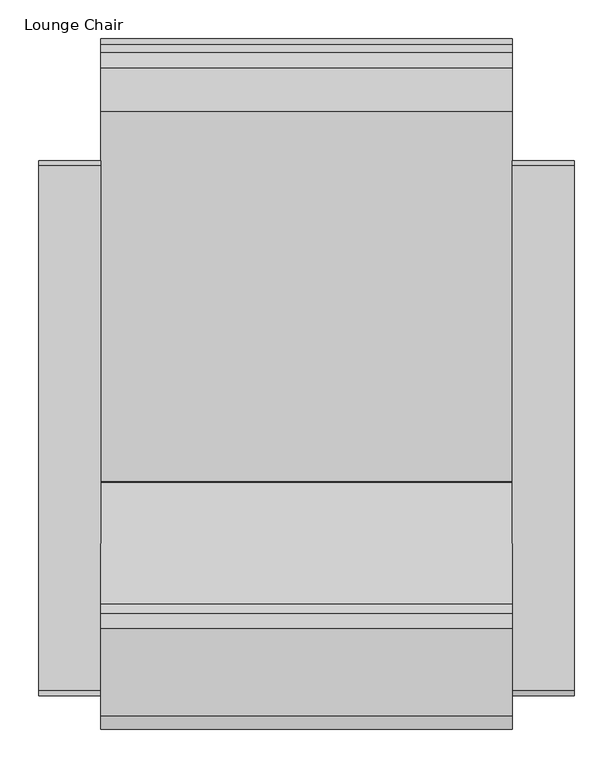
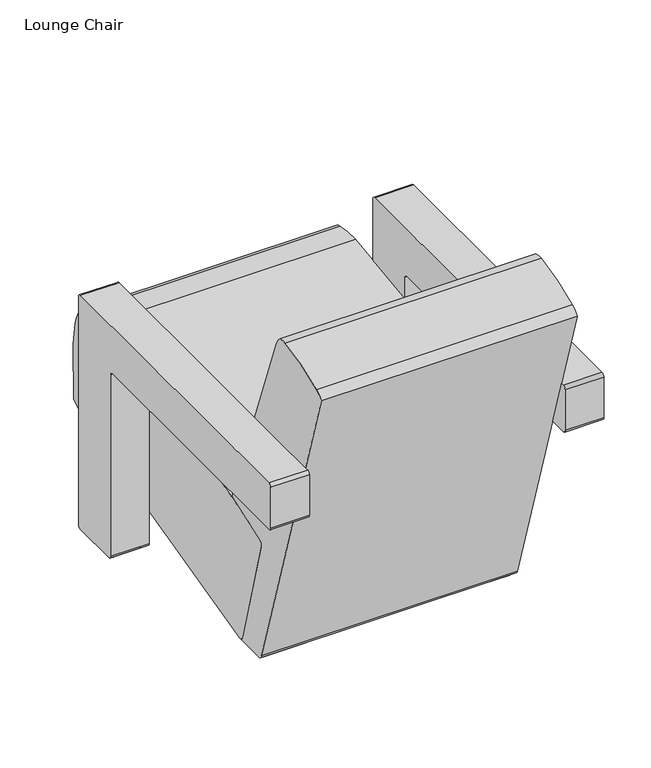
"""IFC4 building model written with IfcOpenShell, lengths in millimetres: furniture geometry, Lounge Chair."""

from ifc_helpers import new_model, si_unit, point, frame, frame_2d, origin, place, context, project, spatial, polyline, circle_curve, trimmed, segment, composite_curve, outline, extrude, source, transform, mapped, element, save


def lounge_chair_3e41c4e6(model_context):
    return source(origin(), model_context, "Body", "SweptSolid", [
        extrude(outline(composite_curve([segment(polyline([(19.713159, 1722.4897589), (19.713159, 1632.4894385), (1.27, 1632.4894385)]), True, "CONTINUOUS"), segment(trimmed(circle_curve(frame_2d((1.27, 1633.7594385)), 1.27), [point((1.27, 1632.4894385))], [point((0.0, 1633.7594385))], False, "CARTESIAN"), True, "CONTINUOUS"), segment(polyline([(0.0, 1633.7594385), (0.0, 1721.2197589)]), True, "CONTINUOUS"), segment(trimmed(circle_curve(frame_2d((1.27, 1721.2197589)), 1.27), [point((0.0, 1721.2197589))], [point((1.27, 1722.4897589))], False, "CARTESIAN"), True, "CONTINUOUS"), segment(polyline([(1.27, 1722.4897589), (19.713159, 1722.4897589)]), True, "CONTINUOUS")], self_intersect=False)), frame((0.0, -1379.5979419, 0.0), z_axis=(0.0, 1.0, 0.0), x_axis=(0.0, 0.0, 1.0)), (0.0, 0.0, 1.0), 59.924976),
        extrude(outline(composite_curve([segment(polyline([(-883.6194949, 19.713159), (-883.6194949, 1.27)]), True, "CONTINUOUS"), segment(trimmed(circle_curve(frame_2d((-884.8894949, 1.27)), 1.27), [point((-883.6194949, 1.27))], [point((-884.8894949, 0.0))], False, "CARTESIAN"), True, "CONTINUOUS"), segment(polyline([(-884.8894949, 0.0), (-972.3498154, 0.0)]), True, "CONTINUOUS"), segment(trimmed(circle_curve(frame_2d((-972.3498154, 1.27)), 1.27), [point((-972.3498154, 0.0))], [point((-973.6198154, 1.27))], False, "CARTESIAN"), True, "CONTINUOUS"), segment(polyline([(-973.6198154, 1.27), (-973.6198154, 19.713159), (-883.6194949, 19.713159)]), True, "CONTINUOUS")], self_intersect=False)), frame((1741.7692507, 0.0, 0.0), z_axis=(1.0, 0.0, 0.0), x_axis=(0.0, 1.0, 0.0)), (0.0, 0.0, 1.0), 59.924976),
        extrude(outline(composite_curve([segment(trimmed(circle_curve(frame_2d((-875.0186633, 514.0575518)), 6.35), [point((-875.0186633, 520.4075518))], [point((-868.6686633, 514.0575518))], False, "CARTESIAN"), True, "CONTINUOUS"), segment(polyline([(-868.6686633, 514.0575518), (-868.6686633, 12.363034)]), True, "CONTINUOUS"), segment(trimmed(circle_curve(frame_2d((-875.0186633, 12.363034)), 6.35), [point((-868.6686633, 12.363034))], [point((-875.0186633, 6.013034))], False, "CARTESIAN"), True, "CONTINUOUS"), segment(polyline([(-875.0186633, 6.013034), (-977.9866031, 6.013034)]), True, "CONTINUOUS"), segment(trimmed(circle_curve(frame_2d((-977.9866031, 12.363034)), 6.35), [point((-977.9866031, 6.013034))], [point((-984.3366031, 12.363034))], False, "CARTESIAN"), True, "CONTINUOUS"), segment(polyline([(-984.3366031, 12.363034), (-984.3366031, 412.0057665)]), True, "CONTINUOUS"), segment(trimmed(circle_curve(frame_2d((-990.6866031, 412.0057665)), 6.35), [point((-984.3366031, 412.0057665))], [point((-990.6866031, 418.3557665))], True, "CARTESIAN"), True, "CONTINUOUS"), segment(polyline([(-990.6866031, 418.3557665), (-1555.2321826, 418.3557665)]), True, "CONTINUOUS"), segment(trimmed(circle_curve(frame_2d((-1555.2321826, 424.7057665)), 6.35), [point((-1555.2321826, 418.3557665))], [point((-1561.5821826, 424.7057665))], False, "CARTESIAN"), True, "CONTINUOUS"), segment(polyline([(-1561.5821826, 424.7057665), (-1561.5821826, 514.0575518)]), True, "CONTINUOUS"), segment(trimmed(circle_curve(frame_2d((-1555.2321826, 514.0575518)), 6.35), [point((-1561.5821826, 514.0575518))], [point((-1555.2321826, 520.4075518))], False, "CARTESIAN"), True, "CONTINUOUS"), segment(polyline([(-1555.2321826, 520.4075518), (-875.0186633, 520.4075518)]), True, "CONTINUOUS")], self_intersect=False)), frame((1731.6264105, 0.0, 0.0), z_axis=(1.0, 0.0, 0.0), x_axis=(0.0, 1.0, 0.0)), (0.0, 0.0, 1.0), 80.2983545),
        extrude(outline(composite_curve([segment(polyline([(19.713159, 1207.9397711), (1.27, 1207.9397711)]), True, "CONTINUOUS"), segment(trimmed(circle_curve(frame_2d((1.27, 1209.2097711)), 1.27), [point((1.27, 1207.9397711))], [point((0.0, 1209.2097711))], False, "CARTESIAN"), True, "CONTINUOUS"), segment(polyline([(0.0, 1209.2097711), (0.0, 1296.6700916)]), True, "CONTINUOUS"), segment(trimmed(circle_curve(frame_2d((1.27, 1296.6700916)), 1.27), [point((0.0, 1296.6700916))], [point((1.27, 1297.9400916))], False, "CARTESIAN"), True, "CONTINUOUS"), segment(polyline([(1.27, 1297.9400916), (19.713159, 1297.9400916), (19.713159, 1207.9397711)]), True, "CONTINUOUS")], self_intersect=False)), frame((0.0, -1379.5979419, 0.0), z_axis=(0.0, 1.0, 0.0), x_axis=(0.0, 0.0, 1.0)), (0.0, 0.0, 1.0), 59.924976),
        extrude(outline(composite_curve([segment(polyline([(-883.6194949, 19.713159), (-883.6194949, 1.27)]), True, "CONTINUOUS"), segment(trimmed(circle_curve(frame_2d((-884.8894949, 1.27)), 1.27), [point((-883.6194949, 1.27))], [point((-884.8894949, 0.0))], False, "CARTESIAN"), True, "CONTINUOUS"), segment(polyline([(-884.8894949, 0.0), (-972.3498154, 0.0)]), True, "CONTINUOUS"), segment(trimmed(circle_curve(frame_2d((-972.3498154, 1.27)), 1.27), [point((-972.3498154, 0.0))], [point((-973.6198154, 1.27))], False, "CARTESIAN"), True, "CONTINUOUS"), segment(polyline([(-973.6198154, 1.27), (-973.6198154, 19.713159), (-883.6194949, 19.713159)]), True, "CONTINUOUS")], self_intersect=False)), frame((1128.7353034, 0.0, 0.0), z_axis=(1.0, 0.0, 0.0), x_axis=(0.0, 1.0, 0.0)), (0.0, 0.0, 1.0), 59.924976),
        extrude(outline(composite_curve([segment(trimmed(circle_curve(frame_2d((-1346.8928397, -591.8593918)), 595.0636311), [point((-1320.0562274, 2.5987828))], [point((-1379.8211841, 2.2924821))], True, "CARTESIAN"), True, "CONTINUOUS"), segment(trimmed(circle_curve(frame_2d((-1377.2834166, 14.9445749)), 12.9040969), [point((-1379.8211841, 2.2924821))], [point((-1389.5217547, 10.8532676))], False, "CARTESIAN"), True, "CONTINUOUS"), segment(trimmed(circle_curve(frame_2d((15265.0042355, 5578.5032157)), 17560.5228255), [point((-1389.5217547, 10.8532676))], [point((-1604.9932201, 702.526621))], False, "CARTESIAN"), True, "CONTINUOUS"), segment(trimmed(circle_curve(frame_2d((-1572.2651552, 682.1842375)), 38.5349037), [point((-1604.9932201, 702.526621))], [point((-1587.9544101, 717.3806305))], False, "CARTESIAN"), True, "CONTINUOUS"), segment(trimmed(circle_curve(frame_2d((-1408.721927, 315.300547)), 440.2188961), [point((-1587.9544101, 717.3806305))], [point((-1474.9008456, 750.5166166))], False, "CARTESIAN"), True, "CONTINUOUS"), segment(trimmed(circle_curve(frame_2d((-1468.7671538, 710.1792807)), 40.8010152), [point((-1474.9008456, 750.5166166))], [point((-1455.4037799, 748.7298071))], False, "CARTESIAN"), True, "CONTINUOUS"), segment(trimmed(circle_curve(frame_2d((-1496.8852083, 705.716765)), 59.756428), [point((-1455.4037799, 748.7298071))], [point((-1443.0632541, 731.678813))], False, "CARTESIAN"), True, "CONTINUOUS"), segment(trimmed(circle_curve(frame_2d((-3622.7439753, -319.7318287)), 2420.0149553), [point((-1443.0632541, 731.678813))], [point((-1285.7030917, 308.5294962))], False, "CARTESIAN"), True, "CONTINUOUS"), segment(trimmed(circle_curve(frame_2d((-1320.763101, 299.1043946)), 36.3047764), [point((-1285.7030917, 308.5294962))], [point((-1284.4811102, 297.8183401))], False, "CARTESIAN"), True, "CONTINUOUS"), segment(trimmed(circle_curve(frame_2d((-983.152918, -692.4423824)), 1035.0917726), [point((-1284.4811102, 297.8183401))], [point((-1385.1457674, 261.400753))], True, "CARTESIAN"), True, "CONTINUOUS"), segment(trimmed(circle_curve(frame_2d((-1382.1481077, 254.2879469)), 7.7186769), [point((-1385.1457674, 261.400753))], [point((-1389.7211612, 252.7956888))], True, "CARTESIAN"), True, "CONTINUOUS"), segment(trimmed(circle_curve(frame_2d((-3181.3286385, -380.1683794)), 1900.1318018), [point((-1389.7211612, 252.7956888))], [point((-1321.8235614, 10.6534888))], False, "CARTESIAN"), True, "CONTINUOUS"), segment(trimmed(circle_curve(frame_2d((-1312.8996098, 12.5290821)), 9.1189233), [point((-1321.8235614, 10.6534888))], [point((-1316.9536982, 4.3609043))], True, "CARTESIAN"), True, "CONTINUOUS"), segment(trimmed(circle_curve(frame_2d((-1319.9051574, 5.9451358)), 3.3497613), [point((-1316.9536982, 4.3609043))], [point((-1320.0562274, 2.5987828))], False, "CARTESIAN"), True, "CONTINUOUS")], self_intersect=False)), frame((1198.8031195, 0.0, 0.0), z_axis=(1.0, 0.0, 0.0), x_axis=(0.0, 1.0, 0.0)), (0.0, 0.0, 1.0), 532.8244537),
        extrude(outline(composite_curve([segment(trimmed(circle_curve(frame_2d((-795.2244205, 178.8839948)), 207.7738594), [point((-805.0516162, 386.4253229))], [point((-749.5073485, 381.5658292))], False, "CARTESIAN"), True, "CONTINUOUS"), segment(trimmed(circle_curve(frame_2d((-756.3925577, 351.0409778)), 31.2917347), [point((-749.5073485, 381.5658292))], [point((-729.1126468, 366.3700064))], False, "CARTESIAN"), True, "CONTINUOUS"), segment(trimmed(circle_curve(frame_2d((-821.6257159, 314.3853981)), 106.1181768), [point((-729.1126468, 366.3700064))], [point((-717.8644961, 336.6267274))], False, "CARTESIAN"), True, "CONTINUOUS"), segment(trimmed(circle_curve(frame_2d((-1047.412968, 265.9876574)), 337.0342319), [point((-717.8644961, 336.6267274))], [point((-710.9132201, 284.9611437))], False, "CARTESIAN"), True, "CONTINUOUS"), segment(trimmed(circle_curve(frame_2d((-1682.5410701, 230.1760573)), 973.1711487), [point((-710.9132201, 284.9611437))], [point((-711.557323, 164.9637317))], False, "CARTESIAN"), True, "CONTINUOUS"), segment(trimmed(circle_curve(frame_2d((-831.0220534, 331.7467616)), 205.154578), [point((-711.557323, 164.9637317))], [point((-779.5572421, 133.152265))], False, "CARTESIAN"), True, "CONTINUOUS"), segment(trimmed(circle_curve(frame_2d((-5520.4330294, 18427.4356099)), 18898.5900621), [point((-779.5572421, 133.152265))], [point((-1310.8684161, 3.6392557))], False, "CARTESIAN"), True, "CONTINUOUS"), segment(trimmed(circle_curve(frame_2d((-1312.8996098, 12.5290821)), 9.1189233), [point((-1310.8684161, 3.6392557))], [point((-1321.8235614, 10.6534888))], False, "CARTESIAN"), True, "CONTINUOUS"), segment(trimmed(circle_curve(frame_2d((-3181.3286385, -380.1683794)), 1900.1318018), [point((-1321.8235614, 10.6534888))], [point((-1389.7211612, 252.7956888))], True, "CARTESIAN"), True, "CONTINUOUS"), segment(trimmed(circle_curve(frame_2d((-1380.7703812, 253.5553968)), 8.9829627), [point((-1389.7211612, 252.7956888))], [point((-1385.1457674, 261.400753))], False, "CARTESIAN"), True, "CONTINUOUS"), segment(trimmed(circle_curve(frame_2d((-1295.897326, 101.3724086)), 183.2330628), [point((-1385.1457674, 261.400753))], [point((-1359.6974124, 273.1394144))], False, "CARTESIAN"), True, "CONTINUOUS"), segment(trimmed(circle_curve(frame_2d((-717.866604, -1454.841886)), 1843.3301823), [point((-1359.6974124, 273.1394144))], [point((-805.0516162, 386.4253229))], False, "CARTESIAN"), True, "CONTINUOUS")], self_intersect=False)), frame((1198.8031195, 0.0, 0.0), z_axis=(1.0, 0.0, 0.0), x_axis=(0.0, 1.0, 0.0)), (0.0, 0.0, 1.0), 532.8244537),
        extrude(outline(composite_curve([segment(trimmed(circle_curve(frame_2d((-875.0186633, 514.0575518)), 6.35), [point((-875.0186633, 520.4075518))], [point((-868.6686633, 514.0575518))], False, "CARTESIAN"), True, "CONTINUOUS"), segment(polyline([(-868.6686633, 514.0575518), (-868.6686633, 12.363034)]), True, "CONTINUOUS"), segment(trimmed(circle_curve(frame_2d((-875.0186633, 12.363034)), 6.35), [point((-868.6686633, 12.363034))], [point((-875.0186633, 6.013034))], False, "CARTESIAN"), True, "CONTINUOUS"), segment(polyline([(-875.0186633, 6.013034), (-977.9866031, 6.013034)]), True, "CONTINUOUS"), segment(trimmed(circle_curve(frame_2d((-977.9866031, 12.363034)), 6.35), [point((-977.9866031, 6.013034))], [point((-984.3366031, 12.363034))], False, "CARTESIAN"), True, "CONTINUOUS"), segment(polyline([(-984.3366031, 12.363034), (-984.3366031, 412.0057665)]), True, "CONTINUOUS"), segment(trimmed(circle_curve(frame_2d((-990.6866031, 412.0057665)), 6.35), [point((-984.3366031, 412.0057665))], [point((-990.6866031, 418.3557665))], True, "CARTESIAN"), True, "CONTINUOUS"), segment(polyline([(-990.6866031, 418.3557665), (-1555.2321826, 418.3557665)]), True, "CONTINUOUS"), segment(trimmed(circle_curve(frame_2d((-1555.2321826, 424.7057665)), 6.35), [point((-1555.2321826, 418.3557665))], [point((-1561.5821826, 424.7057665))], False, "CARTESIAN"), True, "CONTINUOUS"), segment(polyline([(-1561.5821826, 424.7057665), (-1561.5821826, 514.0575518)]), True, "CONTINUOUS"), segment(trimmed(circle_curve(frame_2d((-1555.2321826, 514.0575518)), 6.35), [point((-1561.5821826, 514.0575518))], [point((-1555.2321826, 520.4075518))], False, "CARTESIAN"), True, "CONTINUOUS"), segment(polyline([(-1555.2321826, 520.4075518), (-875.0186633, 520.4075518)]), True, "CONTINUOUS")], self_intersect=False)), frame((1118.504765, 0.0, 0.0), z_axis=(1.0, 0.0, 0.0), x_axis=(0.0, 1.0, 0.0)), (0.0, 0.0, 1.0), 80.2983545),
    ])


if __name__ == "__main__":
    model = new_model("IFC4")
    model_context = context("Model", 3, world=origin())
    ifc_project = project(units=[si_unit("LENGTHUNIT", "METRE", prefix="MILLI")], contexts=[model_context])
    site = spatial("IfcSite", under=ifc_project)
    building = spatial("IfcBuilding", under=site)
    placement = place(None, origin())
    lounge_chair_shape = lounge_chair_3e41c4e6(model_context)
    element("IfcFurniture", 1, ObjectType="Lounge Chair", at=placement, inside=building, context=model_context, shape_type="MappedRepresentation", body=[
        mapped(lounge_chair_shape, transform((0.0, 0.0, 0.0), x_axis=(1.0, 0.0, 0.0), y_axis=(0.0, 1.0, 0.0), z_axis=(0.0, 0.0, 1.0))),
    ])
    save(model, "model.ifc")
